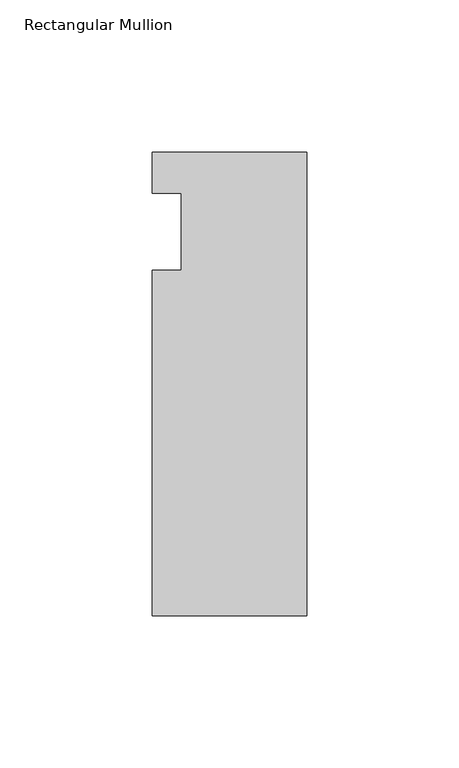
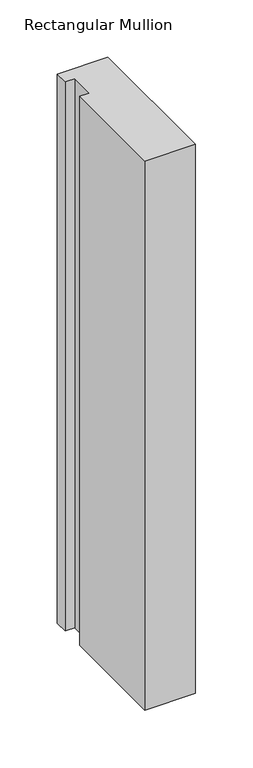
"""IFC4 building model written with IfcOpenShell, lengths in millimetres: member geometry, Rectangular Mullion."""

from ifc_helpers import new_model, si_unit, frame, origin, place, context, project, spatial, polyline, outline, extrude, source, transform, mapped, element, save


def rectangular_mullion_eaee334a(model_context):
    return source(origin(), model_context, "Body", "SweptSolid", [
        extrude(outline(polyline([(-50.8, 26.19375), (0.0, 26.19375), (0.0, -126.20625), (-50.8, -126.20625), (-50.8, -12.7), (-41.275, -12.7), (-41.275, 12.7), (-50.8, 12.7), (-50.8, 26.19375)])), frame((0.0, 0.0, -584.2), z_axis=(0.0, 0.0, 1.0), x_axis=(1.0, 0.0, 0.0)), (0.0, 0.0, 1.0), 584.2),
    ])


if __name__ == "__main__":
    model = new_model("IFC4")
    model_context = context("Model", 3, world=origin())
    ifc_project = project(units=[si_unit("LENGTHUNIT", "METRE", prefix="MILLI")], contexts=[model_context])
    site = spatial("IfcSite", under=ifc_project)
    building = spatial("IfcBuilding", under=site)
    placement = place(None, origin())
    rectangular_mullion_shape = rectangular_mullion_eaee334a(model_context)
    element("IfcMember", 1, ObjectType="Rectangular Mullion", at=placement, inside=building, context=model_context, shape_type="MappedRepresentation", body=[
        mapped(rectangular_mullion_shape, transform((0.0, 0.0, 0.0), x_axis=(1.0, 0.0, 0.0), y_axis=(0.0, 1.0, 0.0), z_axis=(0.0, 0.0, 1.0))),
    ])
    save(model, "model.ifc")
